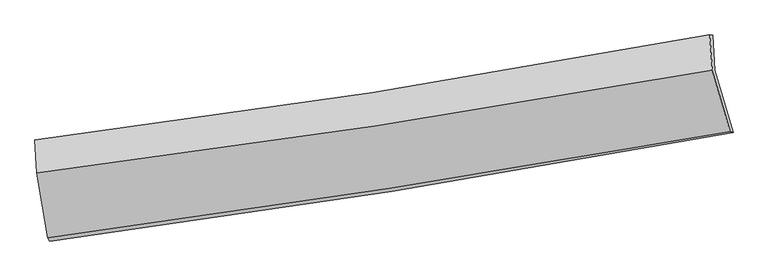
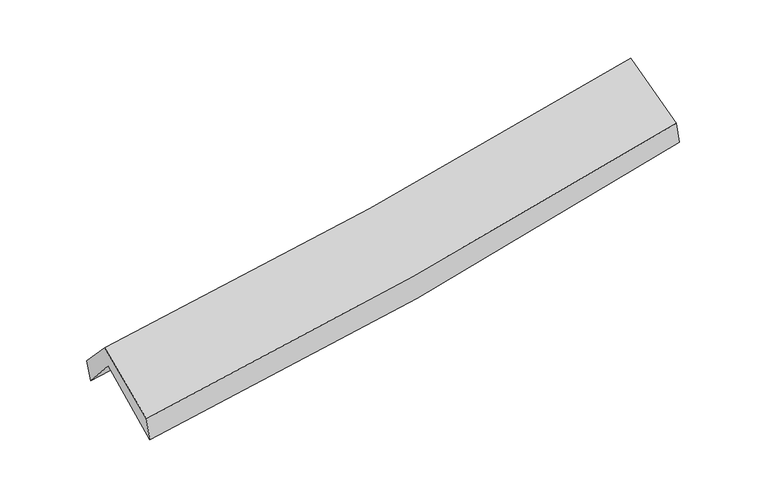
"""IFC4 building model written with IfcOpenShell, lengths in millimetres: proxy geometry."""

import ifcopenshell
import ifcopenshell.guid

model = None  # the IFC model being written
_history = None  # IfcOwnerHistory: only IFC2X3 demands one
_inside = {}  # id of a spatial element -> (the spatial element, [elements in it])
_under = {}  # id of a project, library or spatial element -> (it, [spatial elements below it])
_declared = {}  # id of a project -> (the project, [libraries it declares])
_typed = {}  # id of a type object -> (the type object, [elements of that type])
_made_of = {}  # id of a material, layer set ... -> (it, [elements and type objects made of it])


def new_model(schema):
    """Start an empty IFC model of exactly this schema.

    Asked for "IFC4X3", IfcOpenShell would pick the latest addendum, in which some entities
    have other attributes; the version numbers below select the first issue.
    IFC2X3 requires an IfcOwnerHistory on every rooted entity: one is made here for all.
    """
    global model, _history
    if schema == "IFC4X3":
        model = ifcopenshell.file(schema_version=(4, 3, 0, 0))
    else:
        model = ifcopenshell.file(schema=schema)
    _inside.clear()
    _under.clear()
    _declared.clear()
    _typed.clear()
    _made_of.clear()
    _history = None
    if model.schema == "IFC2X3":
        org = make("IfcOrganization", Name="unknown")
        user = make(
            "IfcPersonAndOrganization",
            ThePerson=make("IfcPerson", FamilyName="unknown"),
            TheOrganization=org,
        )
        app = make(
            "IfcApplication",
            ApplicationDeveloper=org,
            Version="unknown",
            ApplicationFullName="unknown",
            ApplicationIdentifier="unknown",
        )
        _history = make(
            "IfcOwnerHistory",
            OwningUser=user,
            OwningApplication=app,
            ChangeAction="ADDED",
            CreationDate=0,
        )
    return model


def make(cls, **values):
    """One entity of the class cls with the attributes given. An attribute that is None is left unset."""
    return model.create_entity(
        cls, **{name: value for name, value in values.items() if value is not None}
    )


def rooted(cls, **values):
    """An entity with a GlobalId (a new one), such as an element, a storey or a relation."""
    return make(cls, GlobalId=ifcopenshell.guid.new(), OwnerHistory=_history, **values)


def si_unit(unit_type, name, prefix=None):
    """IfcSIUnit, for example si_unit("LENGTHUNIT", "METRE", prefix="MILLI")."""
    return make("IfcSIUnit", UnitType=unit_type, Prefix=prefix, Name=name)


def assignment(units):
    """IfcUnitAssignment: the units of a project."""
    return None if units is None else make("IfcUnitAssignment", Units=units)


def point(xyz):
    """IfcCartesianPoint."""
    return None if xyz is None else make("IfcCartesianPoint", Coordinates=xyz)


def direction(xyz):
    """IfcDirection."""
    return None if xyz is None else make("IfcDirection", DirectionRatios=xyz)


def frame(location, z_axis=None, x_axis=None):
    """IfcAxis2Placement3D, a coordinate frame: its origin and axes. An axis left out is left unset."""
    return make(
        "IfcAxis2Placement3D",
        Location=point(location),
        Axis=direction(z_axis),
        RefDirection=direction(x_axis),
    )


def origin():
    """The frame at (0, 0, 0) with its axes left unset."""
    return frame((0.0, 0.0, 0.0))


def place(relative_to, where):
    """IfcLocalPlacement: puts the frame where relative to a parent placement (None: the world)."""
    return make(
        "IfcLocalPlacement", PlacementRelTo=relative_to, RelativePlacement=where
    )


def context(
    kind, dimensions, precision=None, world=None, true_north=None, identifier=None
):
    """IfcGeometricRepresentationContext, for example the 3D "Model" context."""
    return make(
        "IfcGeometricRepresentationContext",
        ContextIdentifier=identifier,
        ContextType=kind,
        CoordinateSpaceDimension=dimensions,
        Precision=precision,
        WorldCoordinateSystem=world,
        TrueNorth=true_north,
    )


def project(units=None, contexts=None):
    """IfcProject with its units and contexts."""
    return rooted(
        "IfcProject",
        Name="project",
        RepresentationContexts=contexts,
        UnitsInContext=assignment(units),
    )


def spatial(cls, under=None, at=None, **own):
    """A site, building, storey or space (cls), placed at a placement, below another one or the project."""
    s = rooted(cls, ObjectPlacement=at, **own)
    if under is not None:
        _under.setdefault(under.id(), (under, []))[1].append(s)
    return s


def shape(context_of_items, identifier, shape_type, items):
    """IfcShapeRepresentation: the items that make up one representation, for example the "Body"."""
    return make(
        "IfcShapeRepresentation",
        ContextOfItems=context_of_items,
        RepresentationIdentifier=identifier,
        RepresentationType=shape_type,
        Items=items,
    )


def source(mapping_origin, context_of_items, identifier, shape_type, items):
    """IfcRepresentationMap: a shape defined once, which mapped items show again and again."""
    return make(
        "IfcRepresentationMap",
        MappingOrigin=mapping_origin,
        MappedRepresentation=shape(context_of_items, identifier, shape_type, items),
    )


def transform(
    local_origin,
    x_axis=None,
    y_axis=None,
    z_axis=None,
    scale=None,
    scale2=None,
    scale3=None,
    uniform=True,
):
    """IfcCartesianTransformationOperator3D, or its non-uniform kind. x_axis, y_axis, z_axis: its Axis1, 2, 3."""
    if uniform:
        return make(
            "IfcCartesianTransformationOperator3D",
            Axis1=direction(x_axis),
            Axis2=direction(y_axis),
            LocalOrigin=point(local_origin),
            Scale=scale,
            Axis3=direction(z_axis),
        )
    return make(
        "IfcCartesianTransformationOperator3DnonUniform",
        Axis1=direction(x_axis),
        Axis2=direction(y_axis),
        LocalOrigin=point(local_origin),
        Scale=scale,
        Axis3=direction(z_axis),
        Scale2=scale2,
        Scale3=scale3,
    )


def mapped(mapping_source, mapping_target):
    """IfcMappedItem: shows the shape of a source again, moved by a transform."""
    return make(
        "IfcMappedItem", MappingSource=mapping_source, MappingTarget=mapping_target
    )


def made_of(thing, what):
    """Note that an element or type object is made of a material, layer set ...; save() writes the relation."""
    if what is not None:
        _made_of.setdefault(what.id(), (what, []))[1].append(thing)
    return thing


def element(
    cls,
    number,
    at=None,
    inside=None,
    cuts=None,
    type_object=None,
    material=None,
    context=None,
    identifier="Body",
    shape_type=None,
    held_by="IfcProductDefinitionShape",
    body=None,
    shapes=None,
    **own,
):
    """One element of the class cls, such as IfcWall. Its Tag is "e" and its number.

    at: its placement. inside: the storey or other place that contains it. cuts: it is an
    opening in that element (IfcRelVoidsElement). A single representation is given by context,
    identifier, shape_type and body (its items); several are given by shapes. held_by: the class
    of the entity that holds the representations. save() writes the other relations.
    """
    e = rooted(cls, Tag="e%d" % number, ObjectPlacement=at, **own)
    if body is not None:
        shapes = [shape(context, identifier, shape_type, body)]
    if shapes is not None:
        e.Representation = make(held_by, Representations=shapes)
    if inside is not None:
        _inside.setdefault(inside.id(), (inside, []))[1].append(e)
    if cuts is not None:
        rooted(
            "IfcRelVoidsElement", RelatingBuildingElement=cuts, RelatedOpeningElement=e
        )
    if type_object is not None:
        _typed.setdefault(type_object.id(), (type_object, []))[1].append(e)
    return made_of(e, material)


def aggregate(whole, parts):
    """IfcRelAggregates: a whole, such as a stair, and the parts it consists of."""
    return rooted("IfcRelAggregates", RelatingObject=whole, RelatedObjects=parts)


def save(model, path):
    """Write the relations noted so far, then the file.

    IfcRelAggregates (storeys below a building ...), IfcRelContainedInSpatialStructure (elements
    in a storey), IfcRelDefinesByType, IfcRelAssociatesMaterial and IfcRelDeclares: one each for
    every whole, place, type object, material and project.
    """
    for whole, parts in _under.values():
        aggregate(whole, parts)
    for where, things in _inside.values():
        rooted(
            "IfcRelContainedInSpatialStructure",
            RelatedElements=things,
            RelatingStructure=where,
        )
    for kind, things in _typed.values():
        rooted("IfcRelDefinesByType", RelatedObjects=things, RelatingType=kind)
    for what, things in _made_of.values():
        rooted("IfcRelAssociatesMaterial", RelatedObjects=things, RelatingMaterial=what)
    for by, libraries in _declared.values():
        rooted("IfcRelDeclares", RelatingContext=by, RelatedDefinitions=libraries)
    model.write(path)


def plane_surface(at):
    """IfcPlane: the flat surface through the origin of the frame at, square to its z axis."""
    return make("IfcPlane", Position=at)


def spline_curve(degree, points, multiplicities, knots, weights=None):
    """IfcBSplineCurveWithKnots; with weights, IfcRationalBSplineCurveWithKnots."""
    own = dict(
        Degree=degree,
        ControlPointsList=[point(p) for p in points],
        CurveForm="UNSPECIFIED",
        ClosedCurve=False,
        SelfIntersect=False,
        KnotMultiplicities=multiplicities,
        Knots=knots,
        KnotSpec="UNSPECIFIED",
    )
    if weights is None:
        return make("IfcBSplineCurveWithKnots", **own)
    return make("IfcRationalBSplineCurveWithKnots", WeightsData=weights, **own)


def spline_surface(u_degree, v_degree, points, u_multiplicities, v_multiplicities, u_knots, v_knots, weights=None):
    """IfcBSplineSurfaceWithKnots; with weights, IfcRationalBSplineSurfaceWithKnots. points: one row for each step in u."""
    own = dict(
        UDegree=u_degree,
        VDegree=v_degree,
        ControlPointsList=[[point(p) for p in row] for row in points],
        SurfaceForm="UNSPECIFIED",
        UClosed=False,
        VClosed=False,
        SelfIntersect=False,
        UMultiplicities=u_multiplicities,
        VMultiplicities=v_multiplicities,
        UKnots=u_knots,
        VKnots=v_knots,
        KnotSpec="UNSPECIFIED",
    )
    if weights is None:
        return make("IfcBSplineSurfaceWithKnots", **own)
    return make("IfcRationalBSplineSurfaceWithKnots", WeightsData=weights, **own)


def advanced_brep(points, edges, surfaces, faces):
    """IfcAdvancedBrep: a solid bounded by faces that lie on surfaces and meet in shared edges.

    An edge is (start, end): straight between two places in points (the first is 0);
    or (start, end, curve); or (start, end, curve, False) where it runs against its curve.
    A face is (place in surfaces, loops), or (place, loops, False) where it looks against
    its surface's normal. A loop lists edges by number (the first is 1), with a minus sign
    where the edge is run from its end to its start. The first loop is the outer one.
    """
    corners = [point(p) for p in points]
    vertices = [make("IfcVertexPoint", VertexGeometry=c) for c in corners]
    made = []
    for start, end, *more in edges:
        made.append(
            make(
                "IfcEdgeCurve",
                EdgeStart=vertices[start],
                EdgeEnd=vertices[end],
                EdgeGeometry=more[0] if more else make("IfcPolyline", Points=[corners[start], corners[end]]),
                SameSense=more[1] if len(more) > 1 else True,
            )
        )
    hull = []
    for where, loops, *sense in faces:
        bounds = []
        for j, loop in enumerate(loops):
            ring = [make("IfcOrientedEdge", EdgeElement=made[abs(k) - 1], Orientation=k > 0) for k in loop]
            bounds.append(
                make(
                    "IfcFaceOuterBound" if j == 0 else "IfcFaceBound",
                    Bound=make("IfcEdgeLoop", EdgeList=ring),
                    Orientation=True,
                )
            )
        hull.append(make("IfcAdvancedFace", Bounds=bounds, FaceSurface=surfaces[where], SameSense=sense[0] if sense else True))
    return make("IfcAdvancedBrep", Outer=make("IfcClosedShell", CfsFaces=hull))


def generic_models_94c35737(model_context):
    return source(origin(), model_context, "Body", "AdvancedBrep", [
        advanced_brep(
        [(-2574.1355681, -2487.172538, 1459.8286394), (-2662.4201044, -1991.0312615, 1903.1962691), (2595.9838215, -1156.2035964, 2371.5589701), (2739.0098283, -1641.2879835, 1947.646491), (-2675.6975099, -1732.6698919, 1603.1601112), (2582.0105251, -884.3010776, 2055.7974182), (-2690.67882, -1699.9137623, 1781.0515586), (2557.8245275, -880.4125953, 2251.7961255), (-2676.4587208, -1955.0297243, 2059.303172), (2577.6340673, -1154.296081, 2521.9206384), (-2588.9033687, -2462.6760597, 1650.7376233), (2715.0245101, -1632.9110628, 2134.8268987)],
        [
            (0, 1),
            (1, 2, spline_curve(3, [(-2662.4201044, -1991.0312615, 1903.1962691), (-1781.588198973, -1875.031786509, 1953.385040193), (-903.906334328, -1747.637029965, 2017.396066712), (848.922154284, -1469.459465843, 2173.397701642), (1724.041598605, -1318.578333825, 2265.507575346), (2595.9838215, -1156.2035964, 2371.5589701)], [4, 2, 4], [0.0, 8.7981616353188, 17.634199184010292])),
            (2, 3),
            (3, 0, spline_curve(3, [(2739.0098283, -1641.2879835, 1947.646491), (1857.629646964, -1805.406863137, 1834.297517394), (973.219952614, -1958.083562948, 1736.918456806), (-797.854429108, -2239.947196672, 1574.449123703), (-1684.493200328, -2369.232015229, 1509.222233818), (-2574.1355681, -2487.172538, 1459.8286394)], [4, 2, 4], [0.0, 8.836037548691491, 17.634199184010292])),
            (1, 4),
            (4, 5, spline_curve(3, [(-2675.6975099, -1732.6698919, 1603.1601112), (-1795.196767089, -1610.226411368, 1645.865431016), (-917.738581798, -1478.479144604, 1704.821868977), (834.857015734, -1195.76981758, 1855.560748879), (1709.9681756, -1044.72747949, 1947.483413011), (2582.0105251, -884.3010776, 2055.7974182)], [4, 2, 4], [0.0, 8.751204178865954, 17.54008212017506])),
            (5, 2),
            (4, 6),
            (6, 7, spline_curve(3, [(-2690.67882, -1699.9137623, 1781.0515586), (-1810.89853514, -1590.71702856, 1832.893038585), (-934.565118472, -1468.00267611, 1897.929831864), (814.965738754, -1194.952256923, 2054.730831619), (1688.133437604, -1044.499553987, 2146.60889434), (2557.8245275, -880.4125953, 2251.7961255)], [4, 2, 4], [0.0, 8.741562048136275, 17.520756349531922])),
            (7, 5),
            (6, 8),
            (8, 9, spline_curve(3, [(-2676.4587208, -1955.0297243, 2059.303172), (-1797.184168957, -1844.396259793, 2114.386615311), (-920.640373847, -1722.519248322, 2180.373519644), (830.747451048, -1455.70504848, 2334.48526127), (1705.56791882, -1310.670845814, 2422.704179236), (2577.6340673, -1154.296081, 2521.9206384)], [4, 2, 4], [0.0, 8.733030707898866, 17.503656941804618])),
            (9, 7),
            (8, 10),
            (10, 11, spline_curve(3, [(-2588.9033687, -2462.6760597, 1650.7376233), (-1702.401043057, -2344.234312187, 1711.790555939), (-818.100495317, -2216.035875139, 1782.550255033), (949.89446243, -1939.531728547, 1943.829591923), (1833.569874044, -1791.141832998, 2034.432984911), (2715.0245101, -1632.9110628, 2134.8268987)], [4, 2, 4], [0.0, 8.779334224031816, 17.5964633097998])),
            (11, 9),
            (10, 0),
            (3, 11),
        ],
        [
            spline_surface(3, 3, [[(-2574.1355681, -2487.172538, 1459.8286394), (-1684.49320047, -2369.232015306, 1509.22223391), (-797.854429238, -2239.947196801, 1574.449123728), (973.219952744, -1958.083562819, 1736.918456781), (1857.629646972, -1805.406863155, 1834.29751748), (2739.0098283, -1641.2879835, 1947.646491)], [(-2603.563746841, -2321.792112518, 1607.617849303), (-1716.8581999, -2204.49860573, 1657.276502637), (-833.205064304, -2075.843807888, 1722.098104683), (931.787353263, -1795.20886381, 1882.411538419), (1813.10029751, -1643.130686742, 1978.034203492), (2691.334492712, -1479.593187798, 2088.950650708)], [(-2632.991925659, -2156.411686982, 1755.407059197), (-1749.223199406, -2039.765196099, 1805.330771355), (-868.555699323, -1911.740418952, 1869.747085671), (890.354753826, -1632.334164777, 2027.904620089), (1768.570948013, -1480.854510336, 2121.770889479), (2643.659157088, -1317.898392102, 2230.254810392)], [(-2662.4201044, -1991.0312615, 1903.1962691), (-1781.588198836, -1875.031786524, 1953.385040082), (-903.906334389, -1747.637030039, 2017.396066626), (848.922154345, -1469.459465768, 2173.397701728), (1724.041598552, -1318.578333923, 2265.50757549), (2595.9838215, -1156.2035964, 2371.5589701)]], [4, 4], [4, 2, 4], [0.0, 2.193898107812277], [0.0, 8.7981616353188, 17.634199184010292]),
            spline_surface(3, 3, [[(-2662.4201044, -1991.0312615, 1903.1962691), (-1781.588198836, -1875.031786524, 1953.385040082), (-903.906334389, -1747.637030039, 2017.396066626), (848.922154345, -1469.459465768, 2173.397701728), (1724.041598552, -1318.578333923, 2265.50757549), (2595.9838215, -1156.2035964, 2371.5589701)], [(-2666.845906235, -1904.910804951, 1803.184216491), (-1786.124388273, -1786.763328094, 1850.878503749), (-908.51708353, -1657.917734903, 1913.204667452), (844.233774851, -1378.229583021, 2067.452050735), (1719.35045755, -1227.294715758, 2159.499521328), (2591.326056029, -1065.569423475, 2266.305119459)], [(-2671.271708065, -1818.790348449, 1703.17216381), (-1790.660577704, -1698.494869712, 1748.371967345), (-913.127832728, -1568.19843978, 1809.013268279), (839.5453953, -1286.999700288, 1961.506399743), (1714.659316561, -1136.011097567, 2053.49146719), (2586.668290571, -974.935250525, 2161.051268841)], [(-2675.6975099, -1732.6698919, 1603.1601112), (-1795.196767141, -1610.226411283, 1645.865431013), (-917.738581869, -1478.479144643, 1704.821869106), (834.857015806, -1195.76981754, 1855.56074875), (1709.96817556, -1044.727479402, 1947.483413028), (2582.0105251, -884.3010776, 2055.7974182)]], [4, 4], [4, 2, 4], [0.0, 1.3655246974293576], [0.0, 8.751204178865954, 17.54008212017506]),
            spline_surface(3, 3, [[(-2675.6975099, -1732.6698919, 1603.1601112), (-1795.196767141, -1610.226411283, 1645.865431013), (-917.738581869, -1478.479144643, 1704.821869106), (834.857015806, -1195.76981754, 1855.56074875), (1709.96817556, -1044.727479402, 1947.483413028), (2582.0105251, -884.3010776, 2055.7974182)], [(-2680.691279961, -1721.751182051, 1662.457260334), (-1800.430689854, -1603.723283728, 1708.20796689), (-923.347427398, -1474.98698841, 1769.191189994), (828.226590099, -1195.49729735, 1921.950776407), (1702.689929628, -1044.651504258, 2013.858573443), (2573.948525915, -883.004916851, 2121.130320644)], [(-2685.685049939, -1710.832472149, 1721.754409466), (-1805.664612484, -1597.22015612, 1770.550502766), (-928.956272901, -1471.494832236, 1833.560510878), (821.596164419, -1195.22477722, 1988.34080406), (1695.41168365, -1044.57552906, 2080.233733828), (2565.886526685, -881.708756049, 2186.463223056)], [(-2690.67882, -1699.9137623, 1781.0515586), (-1810.898535197, -1590.717028566, 1832.893038643), (-934.56511843, -1468.002676003, 1897.929831767), (814.965738712, -1194.95225703, 2054.730831717), (1688.133437718, -1044.499553916, 2146.608894243), (2557.8245275, -880.4125953, 2251.7961255)]], [4, 4], [4, 2, 4], [0.0, 0.6466214536483701], [0.0, 8.741562048136275, 17.520756349531922]),
            spline_surface(3, 3, [[(-2690.67882, -1699.9137623, 1781.0515586), (-1810.898535197, -1590.717028566, 1832.893038643), (-934.56511843, -1468.002676003, 1897.929831767), (814.965738712, -1194.95225703, 2054.730831717), (1688.133437718, -1044.499553916, 2146.608894243), (2557.8245275, -880.4125953, 2251.7961255)], [(-2685.93878693, -1784.952416312, 1873.802096377), (-1806.327079804, -1675.276772344, 1926.724230878), (-929.923536929, -1552.841533399, 1992.077727724), (820.226309506, -1281.869854222, 2147.982308259), (1693.94493135, -1133.22331789, 2238.640655904), (2564.427707409, -971.707090511, 2341.8376298)], [(-2681.19875387, -1869.991070288, 1966.552634223), (-1801.75562442, -1759.836516087, 2020.555423181), (-925.28195541, -1637.680390798, 2086.225623647), (825.486880317, -1368.787451417, 2241.233784768), (1699.756425055, -1221.94708193, 2330.672417564), (2571.030887391, -1063.001585789, 2431.8791341)], [(-2676.4587208, -1955.0297243, 2059.303172), (-1797.184169026, -1844.396259865, 2114.386615416), (-920.640373909, -1722.519248194, 2180.373519604), (830.747451111, -1455.705048609, 2334.48526131), (1705.567918687, -1310.670845903, 2422.704179225), (2577.6340673, -1154.296081, 2521.9206384)]], [4, 4], [4, 2, 4], [0.0, 1.2519605097920334], [0.0, 8.733030707898866, 17.503656941804618]),
            spline_surface(3, 3, [[(-2676.4587208, -1955.0297243, 2059.303172), (-1797.184169026, -1844.396259865, 2114.386615416), (-920.640373909, -1722.519248194, 2180.373519604), (830.747451111, -1455.705048609, 2334.48526131), (1705.567918687, -1310.670845903, 2422.704179225), (2577.6340673, -1154.296081, 2521.9206384)], [(-2647.273603425, -2124.245169404, 1923.114655794), (-1765.589793692, -2011.008943933, 1980.187928957), (-886.46041437, -1887.024790539, 2047.765764707), (870.463121519, -1616.980608559, 2204.266704844), (1748.23523719, -1470.82784163, 2293.280447737), (2623.430881573, -1313.834408264, 2392.889391814)], [(-2618.088486075, -2293.460614596, 1786.926139506), (-1733.995418382, -2177.62162809, 1845.989242418), (-852.280454797, -2051.530332883, 1915.158009876), (910.178791962, -1778.256168508, 2074.048148443), (1790.902555675, -1630.984837365, 2163.856716306), (2669.227695827, -1473.372735536, 2263.858145286)], [(-2588.9033687, -2462.6760597, 1650.7376233), (-1702.401043047, -2344.234312158, 1711.790555959), (-818.100495258, -2216.035875227, 1782.550254979), (949.89446237, -1939.531728458, 1943.829591977), (1833.569874178, -1791.141833092, 2034.432984819), (2715.0245101, -1632.9110628, 2134.8268987)]], [4, 4], [4, 2, 4], [0.0, 2.091741861404875], [0.0, 8.779334224031816, 17.5964633097998]),
            spline_surface(3, 3, [[(-2588.9033687, -2462.6760597, 1650.7376233), (-1702.401043047, -2344.234312158, 1711.790555959), (-818.100495258, -2216.035875227, 1782.550254979), (949.89446237, -1939.531728458, 1943.829591977), (1833.569874178, -1791.141833092, 2034.432984819), (2715.0245101, -1632.9110628, 2134.8268987)], [(-2583.980768507, -2470.841552464, 1587.101295302), (-1696.431762195, -2352.566879871, 1644.267781912), (-811.351806562, -2224.006315769, 1713.183211248), (957.669625851, -1945.715673263, 1874.859213598), (1841.589798438, -1795.896843113, 1967.72116238), (2723.019616162, -1635.7033697, 2072.433429474)], [(-2579.058168293, -2479.007045236, 1523.464967398), (-1690.462481322, -2360.899447593, 1576.745007957), (-804.603117933, -2231.976756258, 1643.816167458), (965.444789264, -1951.899618015, 1805.888835159), (1849.609722712, -1800.651853134, 1901.009339919), (2731.014722238, -1638.4956766, 2010.039960226)], [(-2574.1355681, -2487.172538, 1459.8286394), (-1684.49320047, -2369.232015306, 1509.22223391), (-797.854429238, -2239.947196801, 1574.449123728), (973.219952744, -1958.083562819, 1736.918456781), (1857.629646972, -1805.406863155, 1834.29751748), (2739.0098283, -1641.2879835, 1947.646491)]], [4, 4], [4, 2, 4], [0.0, 0.68806102006218], [0.0, 8.834805799863425, 17.70764526550958]),
            plane_surface(frame((2627.9145466, -1224.9020661, 2213.9244236), z_axis=(0.9756550388220857, 0.1856766154627717, 0.11671092361627582), x_axis=(0.21783596995608037, -0.758855977572, -0.6137467682167768))),
            plane_surface(frame((-2644.715682, -2054.7488729, 1742.8795623), z_axis=(-0.990682279583624, -0.1217635429723993, -0.06101033127104874), x_axis=(-0.07650128327243318, 0.12689851916222405, 0.9889612325526748))),
        ],
        [
            (0, [[1, 2, 3, 4]]),
            (1, [[5, 6, 7, -2]]),
            (2, [[8, 9, 10, -6]]),
            (3, [[11, 12, 13, -9]]),
            (4, [[14, 15, 16, -12]]),
            (5, [[17, -4, 18, -15]]),
            (6, [[-16, -18, -3, -7, -10, -13]]),
            (7, [[-17, -14, -11, -8, -5, -1]]),
        ],
    ),
    ])


if __name__ == "__main__":
    model = new_model("IFC4")
    model_context = context("Model", 3, world=origin())
    ifc_project = project(units=[si_unit("LENGTHUNIT", "METRE", prefix="MILLI")], contexts=[model_context])
    site = spatial("IfcSite", under=ifc_project)
    building = spatial("IfcBuilding", under=site)
    placement = place(None, origin())
    generic_models_shape = generic_models_94c35737(model_context)
    element("IfcBuildingElementProxy", 1, Name="Generic Models", at=placement, inside=building, context=model_context, shape_type="MappedRepresentation", body=[
        mapped(generic_models_shape, transform((0.0, 0.0, 0.0), x_axis=(1.0, 0.0, 0.0), y_axis=(0.0, 1.0, 0.0), z_axis=(0.0, 0.0, 1.0))),
    ])
    save(model, "model.ifc")
